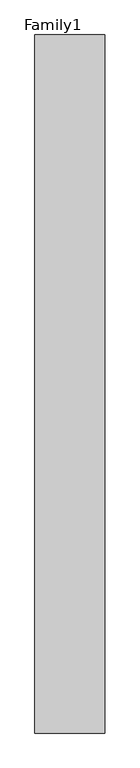
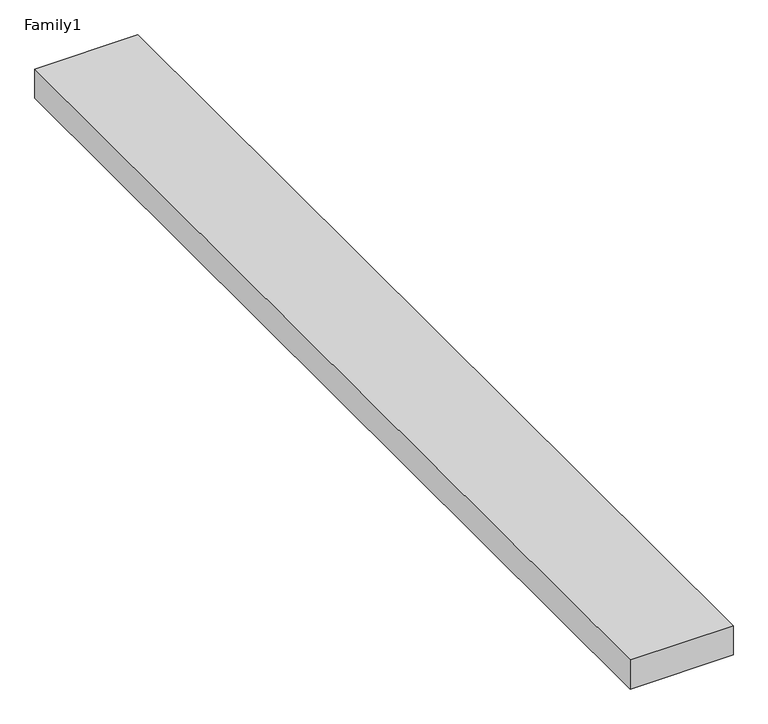
"""IFC4 building model written with IfcOpenShell, lengths in millimetres: proxy geometry, Family1."""

from ifc_helpers import new_model, si_unit, origin, origin_with_axes, place, context, project, spatial, polyline, outline, extrude, source, transform, mapped, element, save


def family1_0870149c(model_context):
    return source(origin(), model_context, "Body", "SweptSolid", [
        extrude(outline(polyline([(5000.0, 0.0), (0.0, 0.0), (0.0, 50000.0), (5000.0, 50000.0), (5000.0, 0.0)])), origin_with_axes(), (0.0, 0.0, 1.0), 1500.0),
    ])


if __name__ == "__main__":
    model = new_model("IFC4")
    model_context = context("Model", 3, world=origin())
    ifc_project = project(units=[si_unit("LENGTHUNIT", "METRE", prefix="MILLI")], contexts=[model_context])
    site = spatial("IfcSite", under=ifc_project)
    building = spatial("IfcBuilding", under=site)
    placement = place(None, origin())
    family1_shape = family1_0870149c(model_context)
    element("IfcBuildingElementProxy", 1, Name="Family1", ObjectType="Family1", at=placement, inside=building, context=model_context, shape_type="MappedRepresentation", body=[
        mapped(family1_shape, transform((0.0, 0.0, 0.0), x_axis=(1.0, 0.0, 0.0), y_axis=(0.0, 1.0, 0.0), z_axis=(0.0, 0.0, 1.0))),
    ])
    save(model, "model.ifc")
